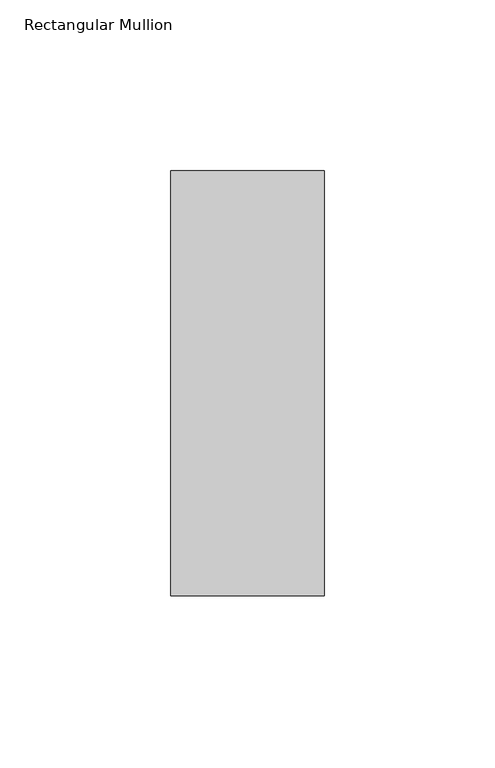
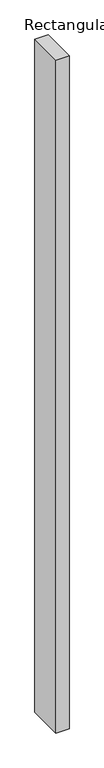
"""IFC4 building model written with IfcOpenShell, lengths in millimetres: member geometry, Rectangular Mullion."""

from ifc_helpers import new_model, si_unit, frame, origin, place, context, project, spatial, polyline, outline, extrude, source, transform, mapped, element, save


def rectangular_mullion_5cd902b5(model_context):
    return source(origin(), model_context, "Body", "SweptSolid", [
        extrude(outline(polyline([(-45.0, -77.84375), (-45.0, 46.84375), (0.0, 46.84375), (0.0, -77.84375), (-45.0, -77.84375)])), frame((0.0, 0.0, -2438.4), z_axis=(0.0, 0.0, 1.0), x_axis=(1.0, 0.0, 0.0)), (0.0, 0.0, 1.0), 2438.4),
    ])


if __name__ == "__main__":
    model = new_model("IFC4")
    model_context = context("Model", 3, world=origin())
    ifc_project = project(units=[si_unit("LENGTHUNIT", "METRE", prefix="MILLI")], contexts=[model_context])
    site = spatial("IfcSite", under=ifc_project)
    building = spatial("IfcBuilding", under=site)
    placement = place(None, origin())
    rectangular_mullion_shape = rectangular_mullion_5cd902b5(model_context)
    element("IfcMember", 1, ObjectType="Rectangular Mullion", at=placement, inside=building, context=model_context, shape_type="MappedRepresentation", body=[
        mapped(rectangular_mullion_shape, transform((0.0, 0.0, 0.0), x_axis=(1.0, 0.0, 0.0), y_axis=(0.0, 1.0, 0.0), z_axis=(0.0, 0.0, 1.0))),
    ])
    save(model, "model.ifc")
